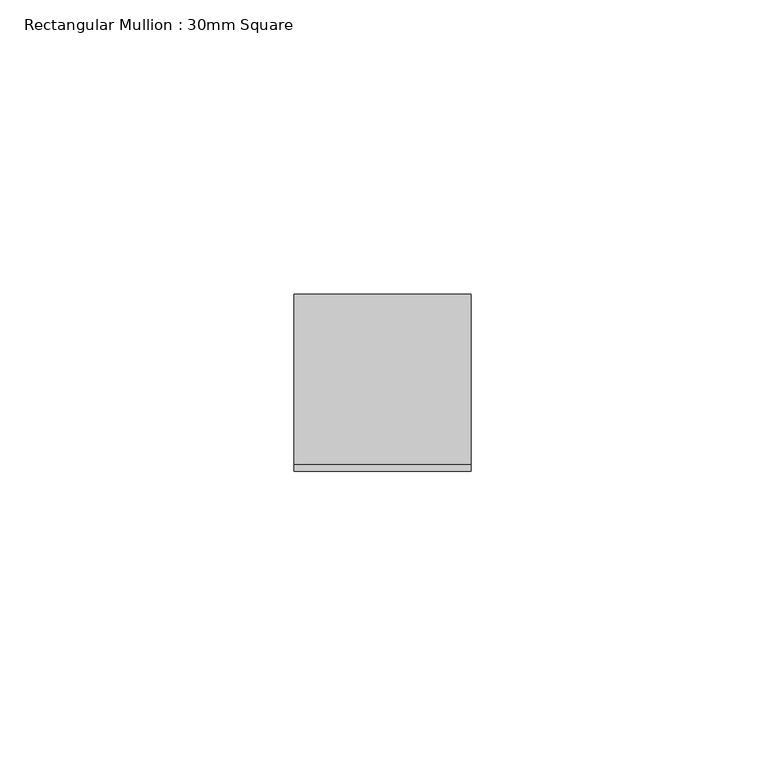
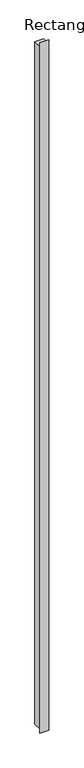
"""IFC4 building model written with IfcOpenShell, lengths in millimetres: member geometry, Rectangular Mullion : 30mm Square."""

import ifcopenshell
import ifcopenshell.guid

model = None  # the IFC model being written
_history = None  # IfcOwnerHistory: only IFC2X3 demands one
_inside = {}  # id of a spatial element -> (the spatial element, [elements in it])
_under = {}  # id of a project, library or spatial element -> (it, [spatial elements below it])
_declared = {}  # id of a project -> (the project, [libraries it declares])
_typed = {}  # id of a type object -> (the type object, [elements of that type])
_made_of = {}  # id of a material, layer set ... -> (it, [elements and type objects made of it])


def new_model(schema):
    """Start an empty IFC model of exactly this schema.

    Asked for "IFC4X3", IfcOpenShell would pick the latest addendum, in which some entities
    have other attributes; the version numbers below select the first issue.
    IFC2X3 requires an IfcOwnerHistory on every rooted entity: one is made here for all.
    """
    global model, _history
    if schema == "IFC4X3":
        model = ifcopenshell.file(schema_version=(4, 3, 0, 0))
    else:
        model = ifcopenshell.file(schema=schema)
    _inside.clear()
    _under.clear()
    _declared.clear()
    _typed.clear()
    _made_of.clear()
    _history = None
    if model.schema == "IFC2X3":
        org = make("IfcOrganization", Name="unknown")
        user = make(
            "IfcPersonAndOrganization",
            ThePerson=make("IfcPerson", FamilyName="unknown"),
            TheOrganization=org,
        )
        app = make(
            "IfcApplication",
            ApplicationDeveloper=org,
            Version="unknown",
            ApplicationFullName="unknown",
            ApplicationIdentifier="unknown",
        )
        _history = make(
            "IfcOwnerHistory",
            OwningUser=user,
            OwningApplication=app,
            ChangeAction="ADDED",
            CreationDate=0,
        )
    return model


def make(cls, **values):
    """One entity of the class cls with the attributes given. An attribute that is None is left unset."""
    return model.create_entity(
        cls, **{name: value for name, value in values.items() if value is not None}
    )


def rooted(cls, **values):
    """An entity with a GlobalId (a new one), such as an element, a storey or a relation."""
    return make(cls, GlobalId=ifcopenshell.guid.new(), OwnerHistory=_history, **values)


def si_unit(unit_type, name, prefix=None):
    """IfcSIUnit, for example si_unit("LENGTHUNIT", "METRE", prefix="MILLI")."""
    return make("IfcSIUnit", UnitType=unit_type, Prefix=prefix, Name=name)


def assignment(units):
    """IfcUnitAssignment: the units of a project."""
    return None if units is None else make("IfcUnitAssignment", Units=units)


def point(xyz):
    """IfcCartesianPoint."""
    return None if xyz is None else make("IfcCartesianPoint", Coordinates=xyz)


def direction(xyz):
    """IfcDirection."""
    return None if xyz is None else make("IfcDirection", DirectionRatios=xyz)


def frame(location, z_axis=None, x_axis=None):
    """IfcAxis2Placement3D, a coordinate frame: its origin and axes. An axis left out is left unset."""
    return make(
        "IfcAxis2Placement3D",
        Location=point(location),
        Axis=direction(z_axis),
        RefDirection=direction(x_axis),
    )


def origin():
    """The frame at (0, 0, 0) with its axes left unset."""
    return frame((0.0, 0.0, 0.0))


def place(relative_to, where):
    """IfcLocalPlacement: puts the frame where relative to a parent placement (None: the world)."""
    return make(
        "IfcLocalPlacement", PlacementRelTo=relative_to, RelativePlacement=where
    )


def context(
    kind, dimensions, precision=None, world=None, true_north=None, identifier=None
):
    """IfcGeometricRepresentationContext, for example the 3D "Model" context."""
    return make(
        "IfcGeometricRepresentationContext",
        ContextIdentifier=identifier,
        ContextType=kind,
        CoordinateSpaceDimension=dimensions,
        Precision=precision,
        WorldCoordinateSystem=world,
        TrueNorth=true_north,
    )


def project(units=None, contexts=None):
    """IfcProject with its units and contexts."""
    return rooted(
        "IfcProject",
        Name="project",
        RepresentationContexts=contexts,
        UnitsInContext=assignment(units),
    )


def spatial(cls, under=None, at=None, **own):
    """A site, building, storey or space (cls), placed at a placement, below another one or the project."""
    s = rooted(cls, ObjectPlacement=at, **own)
    if under is not None:
        _under.setdefault(under.id(), (under, []))[1].append(s)
    return s


def polyline(points):
    """IfcPolyline through the points."""
    return make("IfcPolyline", Points=[point(p) for p in points])


def outline(outer, holes=None, kind="AREA"):
    """IfcArbitraryClosedProfileDef: a profile drawn as a closed curve; with holes, ...WithVoids."""
    if holes is None:
        return make("IfcArbitraryClosedProfileDef", ProfileType=kind, OuterCurve=outer)
    return make(
        "IfcArbitraryProfileDefWithVoids",
        ProfileType=kind,
        OuterCurve=outer,
        InnerCurves=holes,
    )


def extrude(swept, where, along, depth):
    """IfcExtrudedAreaSolid: the profile swept, set in the frame where, extruded along a direction by depth."""
    return make(
        "IfcExtrudedAreaSolid",
        SweptArea=swept,
        Position=where,
        ExtrudedDirection=direction(along),
        Depth=depth,
    )


def shape(context_of_items, identifier, shape_type, items):
    """IfcShapeRepresentation: the items that make up one representation, for example the "Body"."""
    return make(
        "IfcShapeRepresentation",
        ContextOfItems=context_of_items,
        RepresentationIdentifier=identifier,
        RepresentationType=shape_type,
        Items=items,
    )


def source(mapping_origin, context_of_items, identifier, shape_type, items):
    """IfcRepresentationMap: a shape defined once, which mapped items show again and again."""
    return make(
        "IfcRepresentationMap",
        MappingOrigin=mapping_origin,
        MappedRepresentation=shape(context_of_items, identifier, shape_type, items),
    )


def transform(
    local_origin,
    x_axis=None,
    y_axis=None,
    z_axis=None,
    scale=None,
    scale2=None,
    scale3=None,
    uniform=True,
):
    """IfcCartesianTransformationOperator3D, or its non-uniform kind. x_axis, y_axis, z_axis: its Axis1, 2, 3."""
    if uniform:
        return make(
            "IfcCartesianTransformationOperator3D",
            Axis1=direction(x_axis),
            Axis2=direction(y_axis),
            LocalOrigin=point(local_origin),
            Scale=scale,
            Axis3=direction(z_axis),
        )
    return make(
        "IfcCartesianTransformationOperator3DnonUniform",
        Axis1=direction(x_axis),
        Axis2=direction(y_axis),
        LocalOrigin=point(local_origin),
        Scale=scale,
        Axis3=direction(z_axis),
        Scale2=scale2,
        Scale3=scale3,
    )


def mapped(mapping_source, mapping_target):
    """IfcMappedItem: shows the shape of a source again, moved by a transform."""
    return make(
        "IfcMappedItem", MappingSource=mapping_source, MappingTarget=mapping_target
    )


def made_of(thing, what):
    """Note that an element or type object is made of a material, layer set ...; save() writes the relation."""
    if what is not None:
        _made_of.setdefault(what.id(), (what, []))[1].append(thing)
    return thing


def element(
    cls,
    number,
    at=None,
    inside=None,
    cuts=None,
    type_object=None,
    material=None,
    context=None,
    identifier="Body",
    shape_type=None,
    held_by="IfcProductDefinitionShape",
    body=None,
    shapes=None,
    **own,
):
    """One element of the class cls, such as IfcWall. Its Tag is "e" and its number.

    at: its placement. inside: the storey or other place that contains it. cuts: it is an
    opening in that element (IfcRelVoidsElement). A single representation is given by context,
    identifier, shape_type and body (its items); several are given by shapes. held_by: the class
    of the entity that holds the representations. save() writes the other relations.
    """
    e = rooted(cls, Tag="e%d" % number, ObjectPlacement=at, **own)
    if body is not None:
        shapes = [shape(context, identifier, shape_type, body)]
    if shapes is not None:
        e.Representation = make(held_by, Representations=shapes)
    if inside is not None:
        _inside.setdefault(inside.id(), (inside, []))[1].append(e)
    if cuts is not None:
        rooted(
            "IfcRelVoidsElement", RelatingBuildingElement=cuts, RelatedOpeningElement=e
        )
    if type_object is not None:
        _typed.setdefault(type_object.id(), (type_object, []))[1].append(e)
    return made_of(e, material)


def aggregate(whole, parts):
    """IfcRelAggregates: a whole, such as a stair, and the parts it consists of."""
    return rooted("IfcRelAggregates", RelatingObject=whole, RelatedObjects=parts)


def save(model, path):
    """Write the relations noted so far, then the file.

    IfcRelAggregates (storeys below a building ...), IfcRelContainedInSpatialStructure (elements
    in a storey), IfcRelDefinesByType, IfcRelAssociatesMaterial and IfcRelDeclares: one each for
    every whole, place, type object, material and project.
    """
    for whole, parts in _under.values():
        aggregate(whole, parts)
    for where, things in _inside.values():
        rooted(
            "IfcRelContainedInSpatialStructure",
            RelatedElements=things,
            RelatingStructure=where,
        )
    for kind, things in _typed.values():
        rooted("IfcRelDefinesByType", RelatedObjects=things, RelatingType=kind)
    for what, things in _made_of.values():
        rooted("IfcRelAssociatesMaterial", RelatedObjects=things, RelatingMaterial=what)
    for by, libraries in _declared.values():
        rooted("IfcRelDeclares", RelatingContext=by, RelatedDefinitions=libraries)
    model.write(path)


def rectangular_mullion_30mm_square_05d4f6f3(model_context):
    return source(origin(), model_context, "Body", "SweptSolid", [
        extrude(outline(polyline([(-15.0, 14.447782), (-13.8564546, -1.0623369), (15.0, 1.0652204), (15.0, -2471.0652204), (-13.8564546, -2468.9376631), (-15.0, -2484.447782), (-15.0, 14.447782)])), frame((-30.0, 0.0, 0.0), z_axis=(1.0, 0.0, 0.0), x_axis=(0.0, 1.0, 0.0)), (0.0, 0.0, 1.0), 30.0),
    ])


if __name__ == "__main__":
    model = new_model("IFC4")
    model_context = context("Model", 3, world=origin())
    ifc_project = project(units=[si_unit("LENGTHUNIT", "METRE", prefix="MILLI")], contexts=[model_context])
    site = spatial("IfcSite", under=ifc_project)
    building = spatial("IfcBuilding", under=site)
    placement = place(None, origin())
    rectangular_mullion_30mm_square_shape = rectangular_mullion_30mm_square_05d4f6f3(model_context)
    element("IfcMember", 1, ObjectType="Rectangular Mullion : 30mm Square", at=placement, inside=building, context=model_context, shape_type="MappedRepresentation", body=[
        mapped(rectangular_mullion_30mm_square_shape, transform((0.0, 0.0, 0.0), x_axis=(1.0, 0.0, 0.0), y_axis=(0.0, 1.0, 0.0), z_axis=(0.0, 0.0, 1.0))),
    ])
    save(model, "model.ifc")
